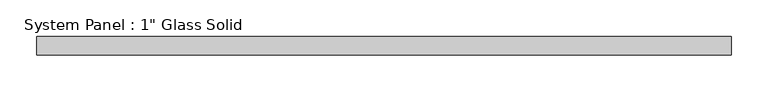
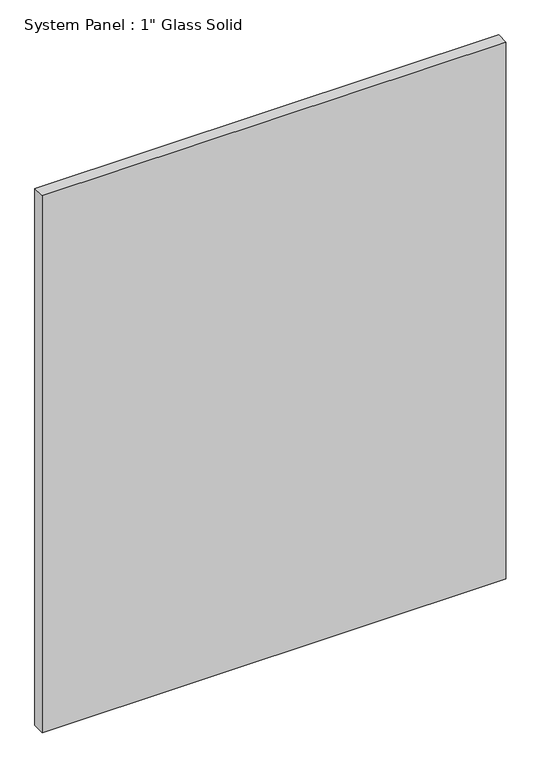
"""IFC4 building model written with IfcOpenShell, lengths in millimetres: plate geometry."""

from ifc_helpers import new_model, si_unit, origin, origin_with_axes, place, context, project, spatial, polyline, outline, extrude, source, transform, mapped, element, save


def plate_0d09c3dd(model_context):
    return source(origin(), model_context, "Body", "SweptSolid", [
        extrude(outline(polyline([(473.0767704, -12.7), (-473.0767704, -12.7), (-473.0767704, 12.7), (473.0767704, 12.7), (473.0767704, -12.7)])), origin_with_axes(), (0.0, 0.0, 1.0), 1158.8767704),
    ])


if __name__ == "__main__":
    model = new_model("IFC4")
    model_context = context("Model", 3, world=origin())
    ifc_project = project(units=[si_unit("LENGTHUNIT", "METRE", prefix="MILLI")], contexts=[model_context])
    site = spatial("IfcSite", under=ifc_project)
    building = spatial("IfcBuilding", under=site)
    placement = place(None, origin())
    plate_shape = plate_0d09c3dd(model_context)
    element("IfcPlate", 1, ObjectType="System Panel : 1\" Glass Solid", at=placement, inside=building, context=model_context, shape_type="MappedRepresentation", body=[
        mapped(plate_shape, transform((0.0, 0.0, 0.0), x_axis=(1.0, 0.0, 0.0), y_axis=(0.0, 1.0, 0.0), z_axis=(0.0, 0.0, 1.0))),
    ])
    save(model, "model.ifc")
